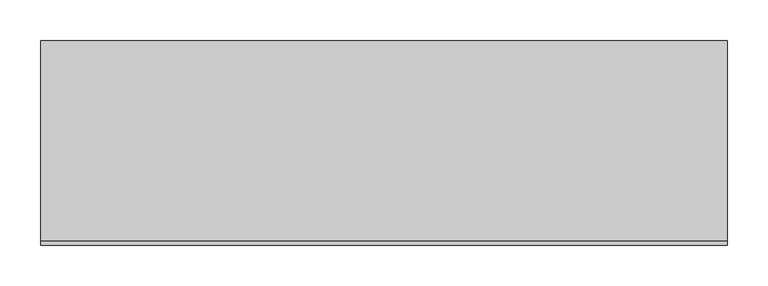
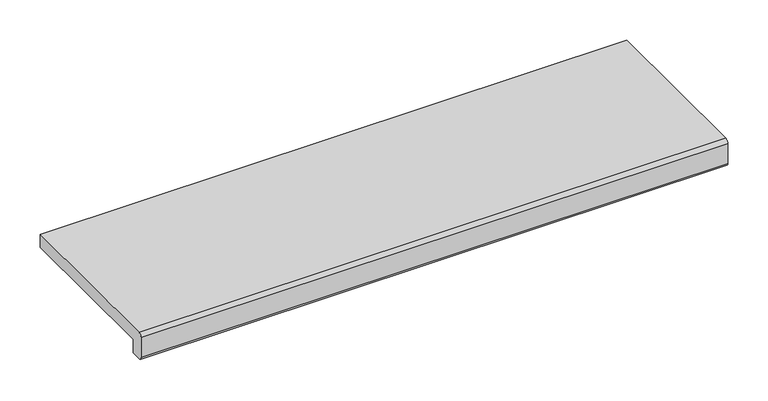
"""IFC4 building model written with IfcOpenShell, lengths in millimetres: proxy geometry."""

from ifc_helpers import new_model, si_unit, point, frame, frame_2d, origin, place, context, project, spatial, polyline, circle_curve, trimmed, segment, composite_curve, outline, extrude, source, transform, mapped, element, save


def generic_models_9a984cd6(model_context):
    return source(origin(), model_context, "Body", "SweptSolid", [
        extrude(outline(composite_curve([segment(polyline([(-245.0, 30.0), (0.0, 30.0), (0.0, 10.0), (-230.0, 10.0), (-230.0, -10.0), (-245.0, -10.0)]), True, "CONTINUOUS"), segment(trimmed(circle_curve(frame_2d((-245.0, -5.0)), 5.0), [point((-245.0, -10.0))], [point((-250.0, -5.0))], False, "CARTESIAN"), True, "CONTINUOUS"), segment(polyline([(-250.0, -5.0), (-250.0, 25.0)]), True, "CONTINUOUS"), segment(trimmed(circle_curve(frame_2d((-245.0, 25.0)), 5.0), [point((-250.0, 25.0))], [point((-245.0, 30.0))], False, "CARTESIAN"), True, "CONTINUOUS")], self_intersect=False)), frame((-420.0, 0.0, 0.0), z_axis=(1.0, 0.0, 0.0), x_axis=(0.0, 1.0, 0.0)), (0.0, 0.0, 1.0), 840.0),
    ])


if __name__ == "__main__":
    model = new_model("IFC4")
    model_context = context("Model", 3, world=origin())
    ifc_project = project(units=[si_unit("LENGTHUNIT", "METRE", prefix="MILLI")], contexts=[model_context])
    site = spatial("IfcSite", under=ifc_project)
    building = spatial("IfcBuilding", under=site)
    placement = place(None, origin())
    generic_models_shape = generic_models_9a984cd6(model_context)
    element("IfcBuildingElementProxy", 1, Name="Generic Models", at=placement, inside=building, context=model_context, shape_type="MappedRepresentation", body=[
        mapped(generic_models_shape, transform((0.0, 0.0, 0.0), x_axis=(1.0, 0.0, 0.0), y_axis=(0.0, 1.0, 0.0), z_axis=(0.0, 0.0, 1.0))),
    ])
    save(model, "model.ifc")
